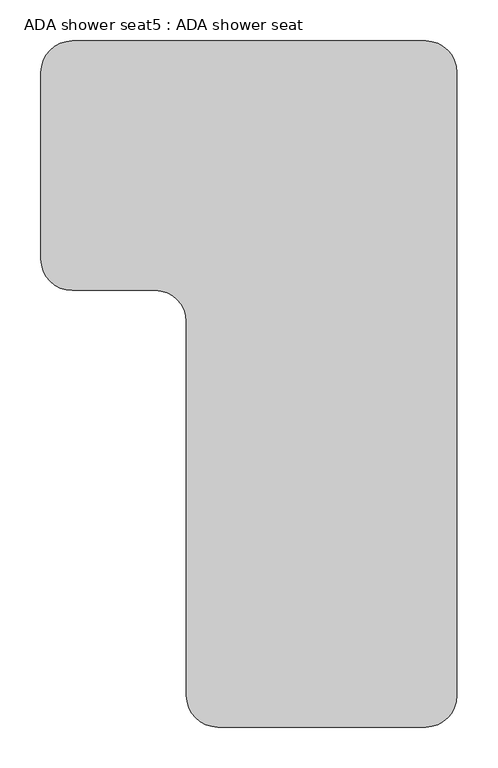
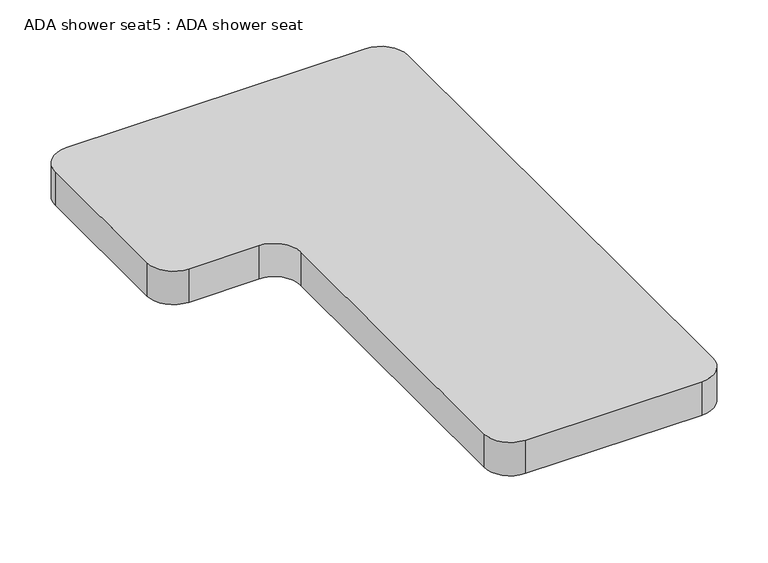
"""IFC4 building model written with IfcOpenShell, lengths in millimetres: proxy geometry, ADA shower seat5 : ADA shower seat."""

from ifc_helpers import new_model, si_unit, point, frame, frame_2d, origin, place, context, project, spatial, polyline, circle_curve, trimmed, segment, composite_curve, outline, extrude, source, transform, mapped, element, save


def ada_shower_seat5_ada_shower_seat_0776e202(model_context):
    return source(origin(), model_context, "Body", "SweptSolid", [
        extrude(outline(composite_curve([segment(polyline([(911829.1945182, 51727.7387104), (912260.9945182, 51727.7387104)]), True, "CONTINUOUS"), segment(trimmed(circle_curve(frame_2d((912260.9945182, 51689.6387104)), 38.1), [point((912260.9945182, 51727.7387104))], [point((912299.0945182, 51689.6387104))], False, "CARTESIAN"), True, "CONTINUOUS"), segment(polyline([(912299.0945182, 51689.6387104), (912299.0945182, 50927.6387104)]), True, "CONTINUOUS"), segment(trimmed(circle_curve(frame_2d((912260.9945182, 50927.6387104)), 38.1), [point((912299.0945182, 50927.6387104))], [point((912260.9945182, 50889.5387104))], False, "CARTESIAN"), True, "CONTINUOUS"), segment(polyline([(912260.9945182, 50889.5387104), (912006.9945182, 50889.5387104)]), True, "CONTINUOUS"), segment(trimmed(circle_curve(frame_2d((912006.9945182, 50927.6387104)), 38.1), [point((912006.9945182, 50889.5387104))], [point((911968.8945182, 50927.6387104))], False, "CARTESIAN"), True, "CONTINUOUS"), segment(polyline([(911968.8945182, 50927.6387104), (911968.8945182, 51384.8387104)]), True, "CONTINUOUS"), segment(trimmed(circle_curve(frame_2d((911930.7945182, 51384.8387104)), 38.1), [point((911968.8945182, 51384.8387104))], [point((911930.7945182, 51422.9387104))], True, "CARTESIAN"), True, "CONTINUOUS"), segment(polyline([(911930.7945182, 51422.9387104), (911829.1945182, 51422.9387104)]), True, "CONTINUOUS"), segment(trimmed(circle_curve(frame_2d((911829.1945182, 51461.0387104)), 38.1), [point((911829.1945182, 51422.9387104))], [point((911791.0945182, 51461.0387104))], False, "CARTESIAN"), True, "CONTINUOUS"), segment(polyline([(911791.0945182, 51461.0387104), (911791.0945182, 51689.6387104)]), True, "CONTINUOUS"), segment(trimmed(circle_curve(frame_2d((911829.1945182, 51689.6387104)), 38.1), [point((911791.0945182, 51689.6387104))], [point((911829.1945182, 51727.7387104))], False, "CARTESIAN"), True, "CONTINUOUS")], self_intersect=False)), frame((0.0, 0.0, 406.4), z_axis=(0.0, 0.0, 1.0), x_axis=(1.0, 0.0, 0.0)), (0.0, 0.0, 1.0), 50.8),
    ])


if __name__ == "__main__":
    model = new_model("IFC4")
    model_context = context("Model", 3, world=origin())
    ifc_project = project(units=[si_unit("LENGTHUNIT", "METRE", prefix="MILLI")], contexts=[model_context])
    site = spatial("IfcSite", under=ifc_project)
    building = spatial("IfcBuilding", under=site)
    placement = place(None, origin())
    ada_shower_seat5_ada_shower_seat_shape = ada_shower_seat5_ada_shower_seat_0776e202(model_context)
    element("IfcBuildingElementProxy", 1, Name="ADA shower seat5 : ADA shower seat", ObjectType="ADA shower seat5 : ADA shower seat", at=placement, inside=building, context=model_context, shape_type="MappedRepresentation", body=[
        mapped(ada_shower_seat5_ada_shower_seat_shape, transform((0.0, 0.0, 0.0), x_axis=(1.0, 0.0, 0.0), y_axis=(0.0, 1.0, 0.0), z_axis=(0.0, 0.0, 1.0))),
    ])
    save(model, "model.ifc")
